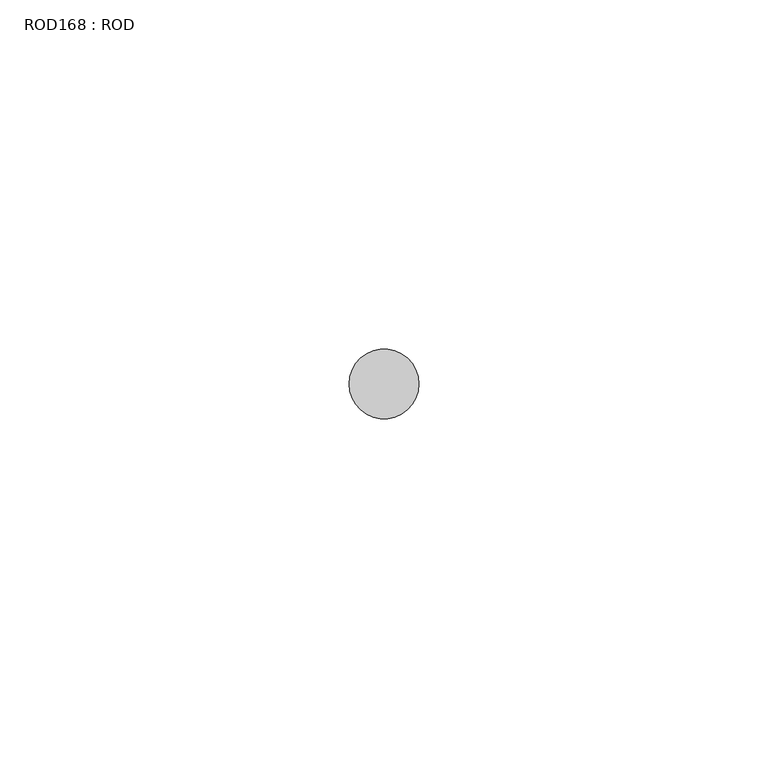
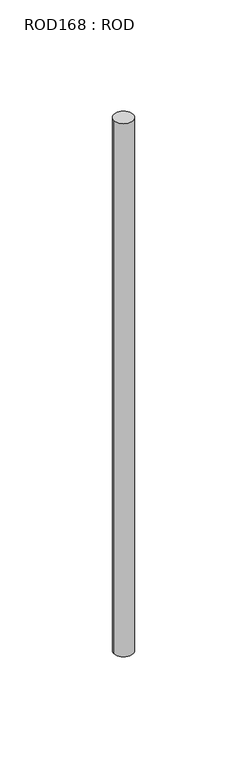
"""IFC4 building model written with IfcOpenShell, lengths in millimetres: proxy geometry, ROD168 : ROD."""

from ifc_helpers import new_model, si_unit, point, frame, frame_2d, origin, place, context, project, spatial, circle_curve, trimmed, segment, composite_curve, outline, extrude, source, transform, mapped, element, save


def rod168_rod_4b4e38a9(model_context):
    return source(origin(), model_context, "Body", "SweptSolid", [
        extrude(outline(composite_curve([segment(trimmed(circle_curve(frame_2d((7199.7673324, -21766.6028424)), 5.0), [point((7194.7673324, -21766.6028424))], [point((7204.7673324, -21766.6028424))], False, "CARTESIAN"), True, "CONTINUOUS"), segment(trimmed(circle_curve(frame_2d((7199.7673324, -21766.6028424)), 5.0), [point((7204.7673324, -21766.6028424))], [point((7194.7673324, -21766.6028424))], False, "CARTESIAN"), True, "CONTINUOUS")], self_intersect=False)), frame((0.0, 0.0, 166.3391155), z_axis=(0.0, 0.0, 1.0), x_axis=(1.0, 0.0, 0.0)), (0.0, 0.0, 1.0), 298.9028972),
    ])


if __name__ == "__main__":
    model = new_model("IFC4")
    model_context = context("Model", 3, world=origin())
    ifc_project = project(units=[si_unit("LENGTHUNIT", "METRE", prefix="MILLI")], contexts=[model_context])
    site = spatial("IfcSite", under=ifc_project)
    building = spatial("IfcBuilding", under=site)
    placement = place(None, origin())
    rod168_rod_shape = rod168_rod_4b4e38a9(model_context)
    element("IfcBuildingElementProxy", 1, Name="ROD168 : ROD", ObjectType="ROD168 : ROD", at=placement, inside=building, context=model_context, shape_type="MappedRepresentation", body=[
        mapped(rod168_rod_shape, transform((0.0, 0.0, 0.0), x_axis=(1.0, 0.0, 0.0), y_axis=(0.0, 1.0, 0.0), z_axis=(0.0, 0.0, 1.0))),
    ])
    save(model, "model.ifc")
